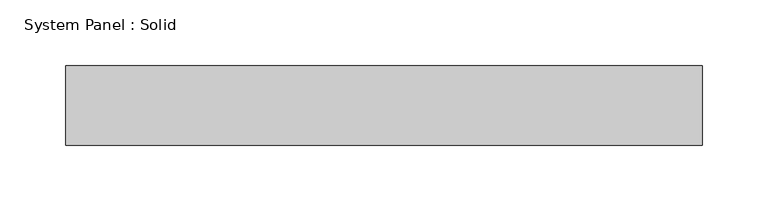
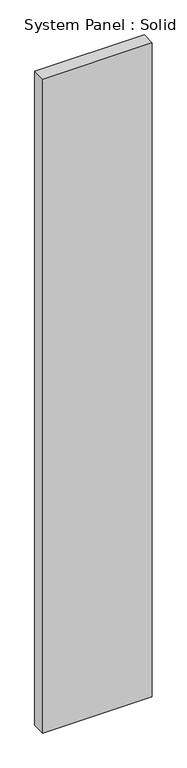
"""IFC4 building model written with IfcOpenShell, lengths in millimetres: plate geometry, System Panel : Solid."""

from ifc_helpers import new_model, si_unit, origin, origin_with_axes, place, context, project, spatial, polyline, outline, extrude, source, transform, mapped, element, save


def system_panel_solid_46680c64(model_context):
    return source(origin(), model_context, "Body", "SweptSolid", [
        extrude(outline(polyline([(241.3, -10.5), (-241.3, -10.5), (-241.3, 49.5), (241.3, 49.5), (241.3, -10.5)])), origin_with_axes(), (0.0, 0.0, 1.0), 3041.65),
    ])


if __name__ == "__main__":
    model = new_model("IFC4")
    model_context = context("Model", 3, world=origin())
    ifc_project = project(units=[si_unit("LENGTHUNIT", "METRE", prefix="MILLI")], contexts=[model_context])
    site = spatial("IfcSite", under=ifc_project)
    building = spatial("IfcBuilding", under=site)
    placement = place(None, origin())
    system_panel_solid_shape = system_panel_solid_46680c64(model_context)
    element("IfcPlate", 1, ObjectType="System Panel : Solid", at=placement, inside=building, context=model_context, shape_type="MappedRepresentation", body=[
        mapped(system_panel_solid_shape, transform((0.0, 0.0, 0.0), x_axis=(1.0, 0.0, 0.0), y_axis=(0.0, 1.0, 0.0), z_axis=(0.0, 0.0, 1.0))),
    ])
    save(model, "model.ifc")
